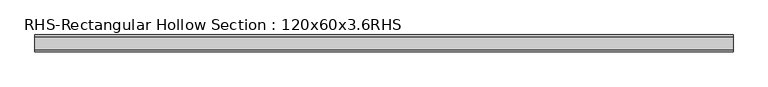
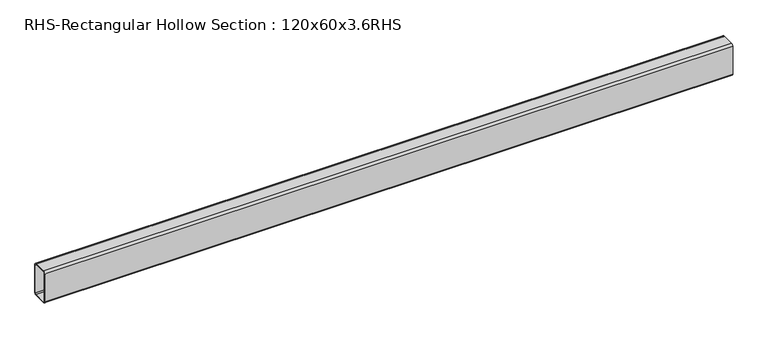
"""IFC4 building model written with IfcOpenShell, lengths in millimetres: beam geometry, RHS-Rectangular Hollow Section : 120x60x3.6RHS."""

from ifc_helpers import new_model, si_unit, point, frame, frame_2d, origin, place, context, project, spatial, polyline, circle_curve, trimmed, segment, composite_curve, outline, extrude, source, transform, mapped, element, save


def rhs_rectangular_hollow_section_120x60x3_6rhs_c639a0be(model_context):
    return source(origin(), model_context, "Body", "SweptSolid", [
        extrude(outline(composite_curve([segment(polyline([(30.0, 52.8), (30.0, -52.8)]), True, "CONTINUOUS"), segment(trimmed(circle_curve(frame_2d((22.8, -52.8)), 7.2), [point((30.0, -52.8))], [point((22.8, -60.0))], False, "CARTESIAN"), True, "CONTINUOUS"), segment(polyline([(22.8, -60.0), (-22.8, -60.0)]), True, "CONTINUOUS"), segment(trimmed(circle_curve(frame_2d((-22.8, -52.8)), 7.2), [point((-22.8, -60.0))], [point((-30.0, -52.8))], False, "CARTESIAN"), True, "CONTINUOUS"), segment(polyline([(-30.0, -52.8), (-30.0, 52.8)]), True, "CONTINUOUS"), segment(trimmed(circle_curve(frame_2d((-22.8, 52.8)), 7.2), [point((-30.0, 52.8))], [point((-22.8, 60.0))], False, "CARTESIAN"), True, "CONTINUOUS"), segment(polyline([(-22.8, 60.0), (22.8, 60.0)]), True, "CONTINUOUS"), segment(trimmed(circle_curve(frame_2d((22.8, 52.8)), 7.2), [point((22.8, 60.0))], [point((30.0, 52.8))], False, "CARTESIAN"), True, "CONTINUOUS")], self_intersect=False), holes=[composite_curve([segment(trimmed(circle_curve(frame_2d((-22.8, 52.8)), 3.6), [point((-22.8, 56.4))], [point((-26.4, 52.8))], True, "CARTESIAN"), True, "CONTINUOUS"), segment(polyline([(-26.4, 52.8), (-26.4, -52.8)]), True, "CONTINUOUS"), segment(trimmed(circle_curve(frame_2d((-22.8, -52.8)), 3.6), [point((-26.4, -52.8))], [point((-22.8, -56.4))], True, "CARTESIAN"), True, "CONTINUOUS"), segment(polyline([(-22.8, -56.4), (22.8, -56.4)]), True, "CONTINUOUS"), segment(trimmed(circle_curve(frame_2d((22.8, -52.8)), 3.6), [point((22.8, -56.4))], [point((26.4, -52.8))], True, "CARTESIAN"), True, "CONTINUOUS"), segment(polyline([(26.4, -52.8), (26.4, 52.8)]), True, "CONTINUOUS"), segment(trimmed(circle_curve(frame_2d((22.8, 52.8)), 3.6), [point((26.4, 52.8))], [point((22.8, 56.4))], True, "CARTESIAN"), True, "CONTINUOUS"), segment(polyline([(22.8, 56.4), (-22.8, 56.4)]), True, "CONTINUOUS")], self_intersect=False)]), frame((-1307.1470243, 0.0, 0.0), z_axis=(1.0, 0.0, 0.0), x_axis=(0.0, 1.0, 0.0)), (0.0, 0.0, 1.0), 2471.5177056),
    ])


if __name__ == "__main__":
    model = new_model("IFC4")
    model_context = context("Model", 3, world=origin())
    ifc_project = project(units=[si_unit("LENGTHUNIT", "METRE", prefix="MILLI")], contexts=[model_context])
    site = spatial("IfcSite", under=ifc_project)
    building = spatial("IfcBuilding", under=site)
    placement = place(None, origin())
    rhs_rectangular_hollow_section_120x60x3_6rhs_shape = rhs_rectangular_hollow_section_120x60x3_6rhs_c639a0be(model_context)
    element("IfcBeam", 1, ObjectType="RHS-Rectangular Hollow Section : 120x60x3.6RHS", at=placement, inside=building, context=model_context, shape_type="MappedRepresentation", body=[
        mapped(rhs_rectangular_hollow_section_120x60x3_6rhs_shape, transform((0.0, 0.0, 0.0), x_axis=(1.0, 0.0, 0.0), y_axis=(0.0, 1.0, 0.0), z_axis=(0.0, 0.0, 1.0))),
    ])
    save(model, "model.ifc")
